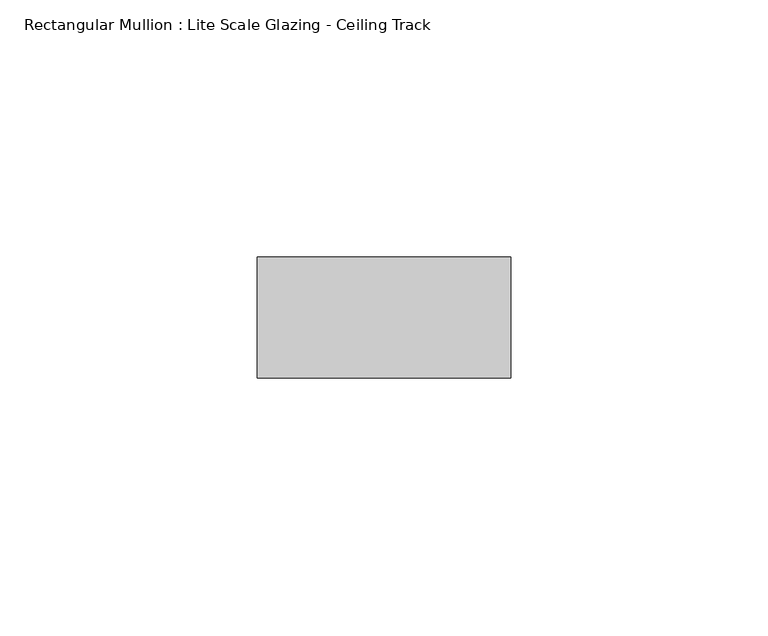
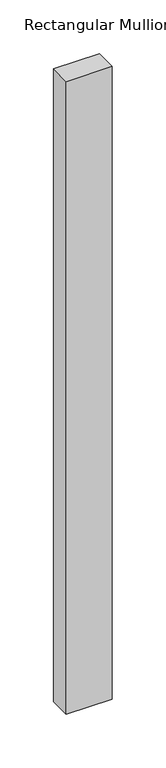
"""IFC4 building model written with IfcOpenShell, lengths in millimetres: member geometry, Rectangular Mullion : Lite Scale Glazing - Ceiling Track."""

from ifc_helpers import new_model, si_unit, frame, origin, place, context, project, spatial, polyline, outline, extrude, source, transform, mapped, element, save


def rectangular_mullion_lite_scale_glazing_ceiling_track_d4f45a0c(model_context):
    return source(origin(), model_context, "Body", "SweptSolid", [
        extrude(outline(polyline([(-49.276, -11.7474999), (-49.276, 11.7474999), (0.0, 11.7474999), (0.0, -11.7474999), (-49.276, -11.7474999)])), frame((0.0, 0.0, -718.061472), z_axis=(0.0, 0.0, 1.0), x_axis=(1.0, 0.0, 0.0)), (0.0, 0.0, 1.0), 718.061472),
    ])


if __name__ == "__main__":
    model = new_model("IFC4")
    model_context = context("Model", 3, world=origin())
    ifc_project = project(units=[si_unit("LENGTHUNIT", "METRE", prefix="MILLI")], contexts=[model_context])
    site = spatial("IfcSite", under=ifc_project)
    building = spatial("IfcBuilding", under=site)
    placement = place(None, origin())
    rectangular_mullion_lite_scale_glazing_ceiling_track_shape = rectangular_mullion_lite_scale_glazing_ceiling_track_d4f45a0c(model_context)
    element("IfcMember", 1, ObjectType="Rectangular Mullion : Lite Scale Glazing - Ceiling Track", at=placement, inside=building, context=model_context, shape_type="MappedRepresentation", body=[
        mapped(rectangular_mullion_lite_scale_glazing_ceiling_track_shape, transform((0.0, 0.0, 0.0), x_axis=(1.0, 0.0, 0.0), y_axis=(0.0, 1.0, 0.0), z_axis=(0.0, 0.0, 1.0))),
    ])
    save(model, "model.ifc")
